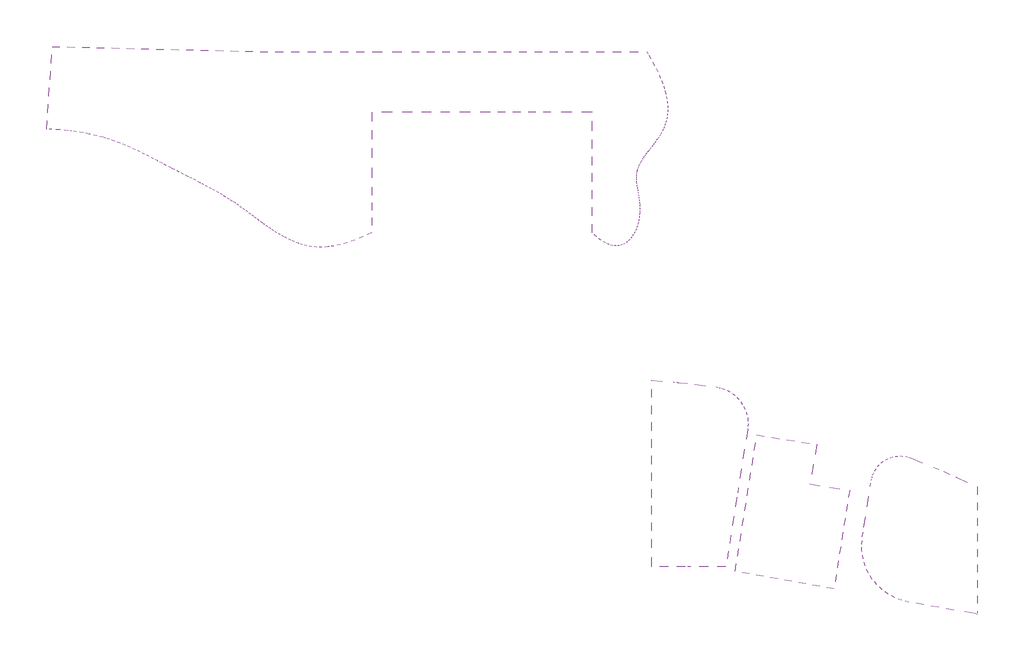
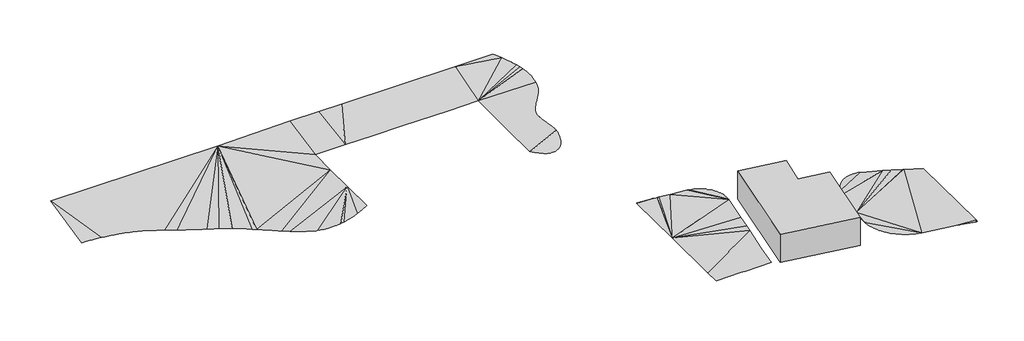
# One storey: 4 proxies.
"""IFC4 building model written with IfcOpenShell, lengths in millimetres."""

from ifc_helpers import new_model, si_unit, frame, origin, place, context, project, spatial, polyline, outline, extrude, triangles, element, save

model = new_model("IFC4")

# Units and contexts
model_context = context("Model", 3, world=origin())
ifc_project = project(units=[si_unit("LENGTHUNIT", "METRE", prefix="MILLI")], contexts=[model_context])

# Site, building, storey
site = spatial("IfcSite", under=ifc_project)
building = spatial("IfcBuilding", under=site)
storey = spatial("IfcBuildingStorey", under=building, Elevation=-2200.0)

# Proxies
placement = place(None, origin())
element("IfcBuildingElementProxy", 1, Name="Building Element Proxy", at=placement, inside=storey, context=model_context, shape_type="Tessellation", body=[
    triangles([(7249.4650589, 41363.9961182, 1076.5643749), (-8102.1339432, 41363.9961182, 1127.4789997), (-11167.3764954, 41363.9961182, 1076.5643749), (-15067.3768158, 41363.9961182, 1076.5643749), (-24780.8013611, 41363.9961182, 919.4125574), (-47013.9210205, 41899.1588013, 577.2606949), (-47597.2249512, 33654.0434692, -203.3436201), (-47062.564563, 33632.1913147, -206.9488688), (-46336.9204834, 33581.5595215, -213.8320787), (-46214.4767944, 33573.0135315, -214.0846796), (-45409.9491577, 33492.609137, -218.0613264), (-45097.4891602, 33451.588385, -220.5410261), (-44646.5817993, 33392.3896729, -220.2769252), (-43921.965564, 33273.7643555, -222.1425453), (-43494.8800049, 33189.6113525, -224.6299843), (-43233.6959473, 33138.147052, -223.2318502), (-42579.3684448, 32986.9423279, -222.0095411), (-41956.5832031, 32821.5663757, -223.0434169), (-41678.1583374, 32738.0179871, -224.4899129), (-41362.926416, 32643.4260864, -228.1522439), (-40795.9935791, 32453.9353271, -236.6343388), (-40253.3848389, 32254.5009888, -246.5207993), (-39732.69104, 32046.5369385, -257.6309496), (-39231.5076782, 31831.4523926, -269.7840596), (-38747.4325745, 31610.6565674, -282.7994352), (-38278.054248, 31385.5633301, -296.4963644), (-37831.9372925, 31163.0490051, -310.3535491), (-37820.9728455, 31157.5795715, -310.4807942), (-37373.7815369, 30928.1168335, -316.1996312), (-36934.0758179, 30698.5889832, -322.1458162), (-36521.5916931, 30482.0277832, -327.8264651), (-36499.4465332, 30470.4029114, -327.9331083), (-36067.5984741, 30244.907373, -329.9184886), (-35637.7595947, 30022.5418762, -331.7355289), (-35210.3252197, 29803.0552734, -333.4173666), (-34950.4224792, 29670.3052368, -334.3856578), (-34785.7116028, 29586.1778137, -333.6027841), (-34364.3442993, 29371.6420715, -331.5511651), (-33946.639563, 29159.1806213, -329.502562), (-33533.0229492, 28948.5260376, -327.4934186), (-33447.8955872, 28905.01474, -327.0911539), (-33123.9107117, 28739.4085693, -323.1682466), (-32719.7284058, 28531.560791, -318.3586564), (-32320.8922852, 28324.7129517, -313.7309592), (-32206.7364624, 28264.8538147, -312.4507321), (-31927.8255798, 28118.5999512, -307.2539927), (-31540.9491943, 27912.9520386, -300.2245344), (-31160.6840332, 27707.4994629, -293.5286495), (-30854.4585388, 27538.8748718, -288.3408302), (-30787.451001, 27501.977124, -292.0479077), (-30421.6686768, 27296.115271, -312.6837848), (-30063.7602905, 27089.6441528, -333.3285275), (-29714.1467468, 26882.2986694, -354.003828), (-29373.2489502, 26673.8090698, -374.7313056), (-29041.4854797, 26463.9079285, -395.5326885), (-28843.8463806, 26334.1251526, -408.3505471), (-28719.27724, 26252.3254944, -407.5773748), (-28406.624231, 26038.9664246, -405.8172715), (-28102.3404785, 25824.2144165, -404.2635146), (-27805.0376953, 25608.5368835, -402.8766807), (-27513.3299194, 25392.3965881, -401.6172009), (-27225.8265381, 25176.2609436, -400.4455791), (-26941.1392639, 24960.5996887, -399.3223555), (-26657.882135, 24745.8732605, -398.2080339), (-26374.6645386, 24532.5490723, -397.0630457), (-26090.0981873, 24321.0968628, -395.8479672), (-26026.9136719, 24275.1089722, -395.5566696), (-25802.7947937, 24111.9793945, -387.4114909), (-25511.368396, 23905.6664063, -376.8202043), (-25287.0192993, 23752.2571655, -368.6667412), (-25214.4283813, 23702.618335, -368.7551079), (-24910.5864624, 23503.3049194, -368.8326104), (-24598.4543518, 23308.193573, -368.5789195), (-24276.6460876, 23117.7470581, -367.9467633), (-23943.7710571, 22932.4351135, -366.8889427), (-23598.4432983, 22752.7205017, -365.3581132), (-23239.269873, 22579.0752869, -363.3068576), (-22864.3834534, 22413.2714539, -360.6320572), (-22470.7935242, 22260.115686, -357.1003324), (-22393.7493896, 22235.0311707, -356.2397017), (-22055.3560913, 22124.8541748, -339.6142631), (-21614.9178589, 22012.7331116, -317.9752859), (-21146.3348328, 21928.9963623, -294.9534172), (-20646.4513916, 21878.887793, -270.3939242), (-20112.1258667, 21867.6512695, -244.1421291), (-19540.2049622, 21900.5353088, -216.0432992), (-19403.0842621, 21918.9434875, -209.3064829), (-18927.5411957, 21982.7837769, -192.4326945), (-18270.987085, 22119.6405396, -165.7118873), (-17567.3928223, 22316.3494629, -133.5588808), (-16813.6085999, 22578.1590637, -95.523012), (-16006.4880981, 22910.3085571, -51.1536), (-15142.8803467, 23318.0487854, 0.0), (-15142.8803467, 27833.4034058, 0.0), (-15142.8803467, 31761.4868958, 0.0), (-15142.8803467, 35318.048877, 0.0), (-11074.9670197, 35318.048877, 0.0), (-7340.8629684, 35318.048877, 0.0), (-3315.788887, 35318.048877, 0.0), (2746.0695923, 35318.048877, 0.0), (6857.1198212, 35318.048877, 0.0), (6857.1198212, 31720.668457, 0.0), (6857.1198212, 28415.3423035, 0.0), (6857.1198212, 23318.0487854, 0.0), (7317.602179, 22892.2096619, -36.9919849), (7753.2488434, 22556.6999084, -65.7202073), (8164.2743362, 22305.6012817, -86.7337502), (8491.164267, 22159.6660034, -98.4423651), (8550.8920166, 22133.0025146, -100.6467727), (8913.3164062, 22032.9900146, -108.5296309), (9251.7614456, 21999.6501892, -110.5512735), (9566.4416565, 22027.0717712, -107.2368683), (9857.5703979, 22109.3388428, -99.1115739), (10125.3633545, 22240.5401367, -86.7005673), (10370.0333038, 22414.7597351, -70.528998), (10591.7941864, 22626.0863708, -51.122034), (10790.8599426, 22868.6064514, -29.0048384), (10967.4456757, 23136.4063843, -4.7025754), (11121.7664886, 23423.5725769, 21.2595944), (11254.0339966, 23724.1914368, 48.3565051), (11364.4633026, 24032.3516968, 76.0629989), (11453.2683472, 24342.137439, 103.853908), (11520.7700409, 24647.9885376, 131.2354852), (11568.3462067, 24947.8446533, 158.0286535), (11597.9839325, 25241.6709045, 184.235684), (11601.4186066, 25313.8176636, 190.6598013), (11611.6819336, 25529.4533386, 191.0722579), (11611.4331116, 25811.1826538, 191.0622477), (11599.2338562, 26086.8402466, 190.5720341), (11577.08172, 26356.4191406, 189.6817723), (11546.9707672, 26619.9053833, 188.4717081), (11510.8973877, 26877.2873474, 187.0220146), (11470.8568085, 27128.5487549, 185.4129195), (11428.846582, 27373.680304, 183.7246141), (11386.85961, 27612.6703674, 182.0373261), (11346.8946075, 27845.5049927, 180.4312287), (11310.945639, 28072.1702271, 178.9865494), (11281.0090942, 28292.6567688, 177.7834797), (11263.5055115, 28463.7044678, 177.0800706), (11259.0802002, 28506.9483398, 176.902229), (11247.1565094, 28715.0356384, 176.4230249), (11247.2309235, 28916.9047119, 176.4260407), (11260.9812469, 29112.6369507, 176.9786051), (11288.3353912, 29302.8113892, 178.0779021), (11328.635257, 29488.1791443, 179.6974435), (11345.6656128, 29546.8964905, 180.3818494), (11381.221582, 29669.4890076, 181.8107411), (11445.4351044, 29847.4944214, 184.3912886), (11520.6153992, 30022.9441772, 187.4125794), (11606.1032043, 30196.5893921, 190.8480892), (11701.2392578, 30369.1811829, 194.6713297), (11805.3631348, 30541.4660156, 198.8557763), (11917.8167358, 30714.1996582, 203.374959), (12037.9396362, 30888.1309021, 208.2023352), (12165.0714111, 31064.0085388, 213.3114165), (12298.5539612, 31242.5836853, 218.6756966), (12437.7268616, 31424.6074585, 224.2686692), (12581.9320129, 31610.8309753, 230.0638278), (12606.6805023, 31642.6755432, 231.0584255), (12730.5078278, 31802.0030273, 236.0346661), (12882.7950439, 31998.8747314, 242.1546777), (13038.1355621, 32202.1972046, 248.3973563), (13195.858493, 32412.7238892, 254.7358139), (13354.5581085, 32631.4710022, 261.1134951), (13511.5845703, 32859.8942688, 267.4239384), (13664.1694427, 33099.4889465, 273.5559042), (13777.0416229, 33295.3514099, 278.0918737), (13809.5454529, 33351.7549438, 279.3981348), (13944.9430023, 33618.1921692, 284.8393906), (14067.5948181, 33900.2958801, 289.7684139), (14174.7324646, 34199.5636597, 294.073965), (14263.5875061, 34517.4954163, 297.6448045), (14331.3926697, 34855.5887329, 300.3696563), (14331.6589325, 34857.774646, 300.3803933), (14375.3771942, 35215.3411926, 365.0955565), (14392.7749695, 35598.2527039, 432.8983947), (14380.8175598, 36005.8185242, 503.5143242), (14336.7353668, 36439.5362366, 577.0640862), (14257.7622803, 36900.908075, 653.6684584), (14141.1275391, 37391.4269714, 733.4481091), (14113.3757446, 37483.5143738, 748.1271549), (13984.065033, 37912.5928345, 784.4436882), (13796.4264862, 38431.0356079, 828.3236406), (13783.8063263, 38465.9055725, 831.2750593), (13545.1604279, 39034.794104, 879.4248093), (13537.5818207, 39052.8627686, 881.1790627), (13242.6230804, 39674.9596802, 941.3991514), (12896.1639954, 40333.6915649, 1004.9797182), (12495.4338043, 41030.5653076, 1072.0545485), (12288.1952911, 41363.9961182, 1104.0629145)], [[64, 95, 63], [62, 95, 61], [61, 95, 60], [95, 62, 63], [94, 68, 69], [95, 67, 68], [66, 95, 65], [66, 67, 95], [64, 65, 95], [70, 94, 69], [5, 52, 53], [5, 51, 52], [49, 5, 48], [50, 5, 49], [50, 51, 5], [95, 58, 59], [5, 57, 58], [5, 55, 56], [5, 54, 55], [56, 57, 5], [5, 53, 54], [59, 60, 95], [82, 94, 81], [83, 94, 82], [94, 80, 81], [80, 78, 79], [84, 94, 83], [85, 86, 87], [85, 87, 94], [88, 89, 94], [87, 88, 94], [85, 94, 84], [94, 89, 90], [94, 74, 75], [73, 74, 94], [94, 72, 73], [71, 72, 94], [75, 76, 94], [94, 77, 78], [94, 90, 91], [78, 80, 94], [92, 93, 94], [92, 94, 91], [77, 94, 76], [71, 94, 70], [94, 95, 68], [6, 22, 5], [21, 22, 6], [6, 18, 19], [6, 19, 20], [21, 6, 20], [5, 27, 28], [5, 25, 26], [5, 24, 25], [5, 23, 24], [5, 26, 27], [5, 22, 23], [10, 11, 6], [9, 10, 6], [7, 8, 6], [6, 8, 9], [11, 12, 6], [16, 17, 6], [16, 6, 15], [13, 14, 6], [12, 13, 6], [6, 14, 15], [6, 17, 18], [28, 29, 5], [5, 40, 41], [39, 40, 5], [5, 36, 37], [38, 5, 37], [38, 39, 5], [46, 47, 5], [44, 45, 5], [43, 44, 5], [42, 43, 5], [45, 46, 5], [5, 41, 42], [33, 5, 32], [34, 5, 33], [5, 31, 32], [30, 31, 5], [5, 34, 35], [96, 97, 3], [95, 96, 5], [4, 5, 96], [3, 4, 96], [97, 2, 3], [5, 35, 36], [48, 5, 47], [30, 5, 29], [58, 95, 5], [109, 110, 108], [108, 117, 107], [118, 106, 107], [115, 108, 110], [111, 112, 113], [111, 113, 114], [116, 108, 115], [110, 114, 115], [110, 111, 114], [116, 117, 108], [118, 119, 106], [118, 107, 117], [119, 120, 106], [104, 129, 103], [104, 105, 122], [120, 105, 106], [139, 140, 103], [105, 120, 121], [140, 141, 103], [142, 143, 103], [141, 142, 103], [139, 103, 138], [103, 143, 144], [122, 123, 104], [104, 123, 124], [131, 132, 103], [131, 103, 130], [104, 124, 125], [132, 133, 103], [127, 128, 104], [127, 104, 126], [130, 103, 129], [128, 129, 104], [104, 125, 126], [138, 103, 137], [137, 103, 136], [103, 145, 102], [144, 145, 103], [134, 135, 103], [103, 133, 134], [102, 147, 148], [102, 146, 147], [103, 135, 136], [102, 145, 146], [121, 122, 105], [102, 148, 149], [151, 152, 102], [150, 151, 102], [102, 153, 154], [153, 102, 152], [102, 154, 155], [156, 157, 102], [155, 156, 102], [101, 158, 159], [157, 158, 101], [102, 157, 101], [101, 159, 160], [99, 100, 1], [98, 99, 2], [99, 1, 2], [1, 100, 101], [1, 101, 188], [98, 2, 97], [162, 163, 101], [188, 101, 187], [189, 190, 1], [1, 188, 189], [101, 163, 164], [161, 162, 101], [101, 160, 161], [102, 149, 150], [101, 165, 166], [101, 166, 167], [167, 168, 169], [169, 101, 167], [101, 169, 170], [171, 172, 101], [101, 172, 174], [175, 101, 174], [173, 174, 172], [170, 171, 101], [175, 176, 101], [184, 185, 101], [183, 101, 182], [186, 187, 101], [101, 183, 184], [101, 185, 186], [177, 178, 101], [179, 101, 178], [101, 180, 181], [179, 180, 101], [182, 101, 181], [176, 177, 101], [165, 101, 164]], closed=False),
])
element("IfcBuildingElementProxy", 2, Name="Building Element Proxy", at=placement, inside=storey, context=model_context, shape_type="Tessellation", body=[
    triangles([(12783.222052, 8589.5134964, -500.0000038), (12783.222052, 8550.0217209, -500.0000038), (12783.222052, 211.6434769, -413.6713706), (12783.222052, -8116.5307388, -300.0000023), (12783.222052, -10006.6089752, -300.0000023), (16142.7809418, -10006.6089752, -300.0000023), (16695.4309296, -10006.6089752, -300.0000023), (20201.8041138, -10006.6089752, -300.0000023), (20693.6113037, -6901.4711838, -300.0000023), (21296.4582275, -3095.2415932, -300.0000023), (21445.6072632, -2153.5448582, -300.0000023), (21749.5515015, -234.5284172, -323.3369499), (22369.7624817, 3681.3322723, -323.3369499), (22374.8644958, 3746.9288498, -323.4588175), (22415.3085388, 4266.9924545, -348.1701725), (22380.5711243, 4693.2286469, -368.0209594), (22367.5928467, 4852.4799728, -375.6802302), (22227.8176575, 5423.0370071, -402.2871818), (21999.506012, 5964.2812958, -426.6711222), (21688.4110474, 6462.5712296, -448.2173724), (21302.3764709, 6905.3459473, -466.3829061), (20875.6187988, 7261.037027, -479.9323334), (20851.1319214, 7281.445665, -480.7475816), (20346.051123, 7581.389566, -491.8687778), (19799.8658569, 7797.6176468, -498.807126), (19534.7634338, 7856.3501083, -500.0000038), (19226.34505, 7924.6790771, -500.0000038), (17084.1211578, 8197.4444046, -500.0000038), (15654.4433075, 8344.9656326, -500.0000038), (15456.3751648, 8365.4033386, -499.7880981), (15451.777771, 8365.8777283, -499.8957951), (15446.5780884, 8366.4143234, -499.951969), (15317.6743286, 8379.7152557, -500.0000038), (14936.0069275, 8419.0977356, -500.0000038)], [[5, 6, 4], [4, 10, 3], [4, 6, 7], [24, 25, 26], [7, 9, 4], [26, 27, 14], [28, 3, 13], [28, 13, 27], [34, 2, 3], [1, 2, 34], [3, 33, 34], [30, 3, 29], [33, 3, 32], [32, 3, 31], [31, 3, 30], [3, 28, 29], [4, 9, 10], [11, 12, 3], [3, 10, 11], [13, 14, 27], [14, 16, 26], [13, 3, 12], [15, 16, 14], [20, 21, 22], [23, 24, 22], [22, 24, 26], [16, 17, 18], [16, 19, 20], [19, 16, 18], [16, 20, 22], [16, 22, 26], [9, 7, 8]], closed=False),
])
element("IfcBuildingElementProxy", 3, Name="Building Element Proxy", at=placement, inside=storey, context=model_context, shape_type="Tessellation", body=[
    triangles([(45315.224707, -14459.5232208, -300.0000023), (45315.224707, -2059.7838661, -469.6336887), (43269.9030396, -1098.5198662, -468.0082066), (43136.6460571, -1040.4449226, -467.8400119), (41929.1011597, -514.183077, -446.9620348), (40966.0157593, -94.4594778, -446.9164344), (38634.5929504, 843.8846094, -444.8944648), (38478.311792, 888.7146492, -444.3144856), (38138.4534668, 986.2049194, -443.5075582), (37624.9429504, 1038.3174362, -439.7951757), (37110.3255249, 998.5712431, -433.665935), (36610.9071716, 868.2255655, -425.3140466), (36142.5055298, 651.4092939, -415.0040654), (35719.9592285, 354.9907591, -403.0625705), (35356.6534973, -11.6402041, -389.8678817), (35064.096936, -436.8695912, -375.8379241), (34851.5587463, -907.2271093, -361.4171837), (34792.1042358, -1143.8261124, -354.6324961), (34725.7664246, -1407.8129059, -347.4250872), (34637.3950745, -1965.773616, -332.7497475), (33985.3511536, -6082.6112823, -332.7497475), (33833.260437, -7042.8805756, -318.5140975), (33765.2599365, -7777.060762, -307.9789484), (33787.3330078, -8371.9558456, -300.0000023), (33792.6001282, -8513.8768341, -300.0000023), (33914.8229004, -9240.9993118, -300.0000023), (34129.8818665, -9946.261496, -300.0000023), (34434.1795715, -10617.8623627, -300.0000023), (34822.6256287, -11244.5636444, -300.0000023), (35288.7181091, -11815.8799347, -300.0000023), (35824.6598145, -12322.2513519, -300.0000023), (36421.4815247, -12755.2051575, -300.0000023), (37069.1978027, -13107.4964447, -300.0000023), (37756.9697754, -13373.2302246, -300.0000023), (38473.2888428, -13547.9614197, -300.0000023), (42966.5169067, -14340.2386414, -300.0000023), (45160.1318481, -14727.0324738, -363.2029032), (45287.7333618, -14749.5311005, -368.5186761), (45315.224707, -14754.3796417, -369.7212916)], [[25, 26, 24], [24, 22, 23], [24, 26, 27], [31, 24, 30], [28, 29, 24], [29, 30, 24], [28, 24, 27], [35, 22, 24], [20, 7, 19], [18, 8, 13], [18, 19, 8], [21, 22, 35], [17, 18, 16], [18, 14, 15], [15, 16, 18], [14, 18, 13], [20, 21, 6], [31, 32, 24], [35, 3, 21], [33, 34, 24], [34, 35, 24], [35, 36, 2], [38, 39, 1], [1, 2, 36], [1, 37, 38], [1, 36, 37], [3, 35, 2], [12, 8, 11], [12, 13, 8], [8, 10, 11], [10, 8, 9], [5, 6, 21], [7, 8, 19], [7, 20, 6], [4, 5, 21], [3, 4, 21], [32, 33, 24]], closed=False),
])
element("IfcBuildingElementProxy", 4, Name="Massa 3 : Massa 3", ObjectType="Massa 3 : Massa 3", at=placement, inside=storey, context=model_context, shape_type="SweptSolid", body=[
    extrude(outline(polyline([(23295.2987842, 3132.4872827), (29289.7771707, 2183.0551785), (28595.18446, -1756.1758336), (32546.5396329, -2382.0090112), (30987.0968339, -12227.9433457), (21137.5191654, -10491.1970541), (23295.2987842, 3132.4872827)])), frame((0.0, 0.0, -300.0), z_axis=(0.0, 0.0, 1.0), x_axis=(1.0, 0.0, 0.0)), (0.0, 0.0, 1.0), 4000.0),
])

save(model, "model.ifc")
